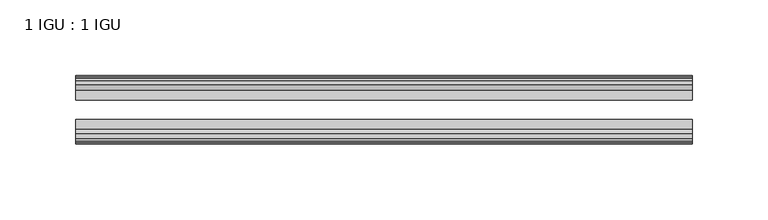
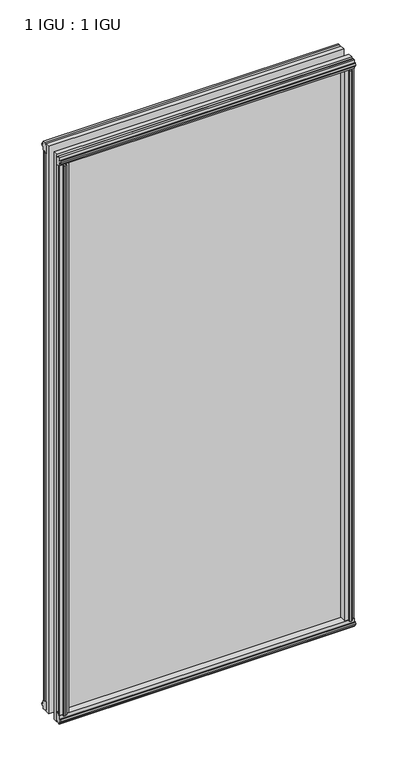
"""IFC4 building model written with IfcOpenShell, lengths in millimetres: plate geometry, 1 IGU : 1 IGU."""

import ifcopenshell
import ifcopenshell.guid

model = None  # the IFC model being written
_history = None  # IfcOwnerHistory: only IFC2X3 demands one
_inside = {}  # id of a spatial element -> (the spatial element, [elements in it])
_under = {}  # id of a project, library or spatial element -> (it, [spatial elements below it])
_declared = {}  # id of a project -> (the project, [libraries it declares])
_typed = {}  # id of a type object -> (the type object, [elements of that type])
_made_of = {}  # id of a material, layer set ... -> (it, [elements and type objects made of it])


def new_model(schema):
    """Start an empty IFC model of exactly this schema.

    Asked for "IFC4X3", IfcOpenShell would pick the latest addendum, in which some entities
    have other attributes; the version numbers below select the first issue.
    IFC2X3 requires an IfcOwnerHistory on every rooted entity: one is made here for all.
    """
    global model, _history
    if schema == "IFC4X3":
        model = ifcopenshell.file(schema_version=(4, 3, 0, 0))
    else:
        model = ifcopenshell.file(schema=schema)
    _inside.clear()
    _under.clear()
    _declared.clear()
    _typed.clear()
    _made_of.clear()
    _history = None
    if model.schema == "IFC2X3":
        org = make("IfcOrganization", Name="unknown")
        user = make(
            "IfcPersonAndOrganization",
            ThePerson=make("IfcPerson", FamilyName="unknown"),
            TheOrganization=org,
        )
        app = make(
            "IfcApplication",
            ApplicationDeveloper=org,
            Version="unknown",
            ApplicationFullName="unknown",
            ApplicationIdentifier="unknown",
        )
        _history = make(
            "IfcOwnerHistory",
            OwningUser=user,
            OwningApplication=app,
            ChangeAction="ADDED",
            CreationDate=0,
        )
    return model


def make(cls, **values):
    """One entity of the class cls with the attributes given. An attribute that is None is left unset."""
    return model.create_entity(
        cls, **{name: value for name, value in values.items() if value is not None}
    )


def rooted(cls, **values):
    """An entity with a GlobalId (a new one), such as an element, a storey or a relation."""
    return make(cls, GlobalId=ifcopenshell.guid.new(), OwnerHistory=_history, **values)


def si_unit(unit_type, name, prefix=None):
    """IfcSIUnit, for example si_unit("LENGTHUNIT", "METRE", prefix="MILLI")."""
    return make("IfcSIUnit", UnitType=unit_type, Prefix=prefix, Name=name)


def assignment(units):
    """IfcUnitAssignment: the units of a project."""
    return None if units is None else make("IfcUnitAssignment", Units=units)


def point(xyz):
    """IfcCartesianPoint."""
    return None if xyz is None else make("IfcCartesianPoint", Coordinates=xyz)


def direction(xyz):
    """IfcDirection."""
    return None if xyz is None else make("IfcDirection", DirectionRatios=xyz)


def frame(location, z_axis=None, x_axis=None):
    """IfcAxis2Placement3D, a coordinate frame: its origin and axes. An axis left out is left unset."""
    return make(
        "IfcAxis2Placement3D",
        Location=point(location),
        Axis=direction(z_axis),
        RefDirection=direction(x_axis),
    )


def origin():
    """The frame at (0, 0, 0) with its axes left unset."""
    return frame((0.0, 0.0, 0.0))


def origin_with_axes():
    """The frame at (0, 0, 0) with the z axis (0, 0, 1) and the x axis (1, 0, 0) written out."""
    return frame((0.0, 0.0, 0.0), z_axis=(0.0, 0.0, 1.0), x_axis=(1.0, 0.0, 0.0))


def place(relative_to, where):
    """IfcLocalPlacement: puts the frame where relative to a parent placement (None: the world)."""
    return make(
        "IfcLocalPlacement", PlacementRelTo=relative_to, RelativePlacement=where
    )


def context(
    kind, dimensions, precision=None, world=None, true_north=None, identifier=None
):
    """IfcGeometricRepresentationContext, for example the 3D "Model" context."""
    return make(
        "IfcGeometricRepresentationContext",
        ContextIdentifier=identifier,
        ContextType=kind,
        CoordinateSpaceDimension=dimensions,
        Precision=precision,
        WorldCoordinateSystem=world,
        TrueNorth=true_north,
    )


def project(units=None, contexts=None):
    """IfcProject with its units and contexts."""
    return rooted(
        "IfcProject",
        Name="project",
        RepresentationContexts=contexts,
        UnitsInContext=assignment(units),
    )


def spatial(cls, under=None, at=None, **own):
    """A site, building, storey or space (cls), placed at a placement, below another one or the project."""
    s = rooted(cls, ObjectPlacement=at, **own)
    if under is not None:
        _under.setdefault(under.id(), (under, []))[1].append(s)
    return s


def polyline(points):
    """IfcPolyline through the points."""
    return make("IfcPolyline", Points=[point(p) for p in points])


def outline(outer, holes=None, kind="AREA"):
    """IfcArbitraryClosedProfileDef: a profile drawn as a closed curve; with holes, ...WithVoids."""
    if holes is None:
        return make("IfcArbitraryClosedProfileDef", ProfileType=kind, OuterCurve=outer)
    return make(
        "IfcArbitraryProfileDefWithVoids",
        ProfileType=kind,
        OuterCurve=outer,
        InnerCurves=holes,
    )


def extrude(swept, where, along, depth):
    """IfcExtrudedAreaSolid: the profile swept, set in the frame where, extruded along a direction by depth."""
    return make(
        "IfcExtrudedAreaSolid",
        SweptArea=swept,
        Position=where,
        ExtrudedDirection=direction(along),
        Depth=depth,
    )


def shape(context_of_items, identifier, shape_type, items):
    """IfcShapeRepresentation: the items that make up one representation, for example the "Body"."""
    return make(
        "IfcShapeRepresentation",
        ContextOfItems=context_of_items,
        RepresentationIdentifier=identifier,
        RepresentationType=shape_type,
        Items=items,
    )


def source(mapping_origin, context_of_items, identifier, shape_type, items):
    """IfcRepresentationMap: a shape defined once, which mapped items show again and again."""
    return make(
        "IfcRepresentationMap",
        MappingOrigin=mapping_origin,
        MappedRepresentation=shape(context_of_items, identifier, shape_type, items),
    )


def transform(
    local_origin,
    x_axis=None,
    y_axis=None,
    z_axis=None,
    scale=None,
    scale2=None,
    scale3=None,
    uniform=True,
):
    """IfcCartesianTransformationOperator3D, or its non-uniform kind. x_axis, y_axis, z_axis: its Axis1, 2, 3."""
    if uniform:
        return make(
            "IfcCartesianTransformationOperator3D",
            Axis1=direction(x_axis),
            Axis2=direction(y_axis),
            LocalOrigin=point(local_origin),
            Scale=scale,
            Axis3=direction(z_axis),
        )
    return make(
        "IfcCartesianTransformationOperator3DnonUniform",
        Axis1=direction(x_axis),
        Axis2=direction(y_axis),
        LocalOrigin=point(local_origin),
        Scale=scale,
        Axis3=direction(z_axis),
        Scale2=scale2,
        Scale3=scale3,
    )


def mapped(mapping_source, mapping_target):
    """IfcMappedItem: shows the shape of a source again, moved by a transform."""
    return make(
        "IfcMappedItem", MappingSource=mapping_source, MappingTarget=mapping_target
    )


def made_of(thing, what):
    """Note that an element or type object is made of a material, layer set ...; save() writes the relation."""
    if what is not None:
        _made_of.setdefault(what.id(), (what, []))[1].append(thing)
    return thing


def element(
    cls,
    number,
    at=None,
    inside=None,
    cuts=None,
    type_object=None,
    material=None,
    context=None,
    identifier="Body",
    shape_type=None,
    held_by="IfcProductDefinitionShape",
    body=None,
    shapes=None,
    **own,
):
    """One element of the class cls, such as IfcWall. Its Tag is "e" and its number.

    at: its placement. inside: the storey or other place that contains it. cuts: it is an
    opening in that element (IfcRelVoidsElement). A single representation is given by context,
    identifier, shape_type and body (its items); several are given by shapes. held_by: the class
    of the entity that holds the representations. save() writes the other relations.
    """
    e = rooted(cls, Tag="e%d" % number, ObjectPlacement=at, **own)
    if body is not None:
        shapes = [shape(context, identifier, shape_type, body)]
    if shapes is not None:
        e.Representation = make(held_by, Representations=shapes)
    if inside is not None:
        _inside.setdefault(inside.id(), (inside, []))[1].append(e)
    if cuts is not None:
        rooted(
            "IfcRelVoidsElement", RelatingBuildingElement=cuts, RelatedOpeningElement=e
        )
    if type_object is not None:
        _typed.setdefault(type_object.id(), (type_object, []))[1].append(e)
    return made_of(e, material)


def aggregate(whole, parts):
    """IfcRelAggregates: a whole, such as a stair, and the parts it consists of."""
    return rooted("IfcRelAggregates", RelatingObject=whole, RelatedObjects=parts)


def save(model, path):
    """Write the relations noted so far, then the file.

    IfcRelAggregates (storeys below a building ...), IfcRelContainedInSpatialStructure (elements
    in a storey), IfcRelDefinesByType, IfcRelAssociatesMaterial and IfcRelDeclares: one each for
    every whole, place, type object, material and project.
    """
    for whole, parts in _under.values():
        aggregate(whole, parts)
    for where, things in _inside.values():
        rooted(
            "IfcRelContainedInSpatialStructure",
            RelatedElements=things,
            RelatingStructure=where,
        )
    for kind, things in _typed.values():
        rooted("IfcRelDefinesByType", RelatedObjects=things, RelatingType=kind)
    for what, things in _made_of.values():
        rooted("IfcRelAssociatesMaterial", RelatedObjects=things, RelatingMaterial=what)
    for by, libraries in _declared.values():
        rooted("IfcRelDeclares", RelatingContext=by, RelatedDefinitions=libraries)
    model.write(path)


def plate_1_igu_1_igu_0dfb2aa5(model_context):
    return source(origin(), model_context, "Body", "SweptSolid", [
        extrude(outline(polyline([(188.8715546, -19.5460937), (190.9768317, -13.1960937), (196.1840261, -13.1960937), (196.5650261, -10.8158968), (195.1494971, -11.27583), (195.1494971, -10.4746158), (197.3270261, -9.7670937), (199.5045552, -10.4746158), (199.5045552, -11.27583), (198.0890261, -10.8158968), (198.4700261, -13.1960937), (202.9150261, -13.1960937), (202.9150261, -16.1419073), (200.7019486, -19.5460937), (188.8715546, -19.5460937)])), origin_with_axes(), (0.0, 0.0, 1.0), 800.1),
        extrude(outline(polyline([(-188.8715546, -19.5460937), (-200.7019486, -19.5460937), (-202.9150261, -16.1419073), (-202.9150261, -13.1960937), (-198.4700261, -13.1960937), (-198.0890261, -10.8158968), (-199.5045552, -11.27583), (-199.5045552, -10.4746158), (-197.3270261, -9.7670937), (-195.1494971, -10.4746158), (-195.1494971, -11.27583), (-196.5650261, -10.8158968), (-196.1840261, -13.1960937), (-190.9768317, -13.1960937), (-188.8715546, -19.5460937)])), origin_with_axes(), (0.0, 0.0, 1.0), 800.1),
        extrude(outline(polyline([(-16.1419073, -12.4576852), (-19.5460937, -10.2446077), (-19.5460937, 1.5857863), (-13.1960937, -0.5194908), (-13.1960937, -5.7266852), (-10.8158968, -6.1076852), (-11.27583, -4.6921562), (-10.4746158, -4.6921562), (-9.7670937, -6.8696852), (-10.4746158, -9.0472143), (-11.27583, -9.0472143), (-10.8158968, -7.6316852), (-13.1960937, -8.0126852), (-13.1960937, -12.4576852), (-16.1419073, -12.4576852)])), frame((-203.1573409, 0.0, 0.0), z_axis=(1.0, 0.0, 0.0), x_axis=(0.0, 1.0, 0.0)), (0.0, 0.0, 1.0), 406.3146818),
        extrude(outline(polyline([(-48.3502802, -11.938), (-51.2960937, -11.938), (-51.2960937, -7.493), (-53.6762907, -7.112), (-53.2163575, -8.5275291), (-54.0175717, -8.5275291), (-54.7250937, -6.35), (-54.0175717, -4.172471), (-53.2163575, -4.172471), (-53.6762907, -5.588), (-51.2960937, -5.207), (-51.2960937, 0.0001944), (-44.9460937, 2.1054715), (-44.9460937, -9.7249225), (-48.3502802, -11.938)])), frame((-203.1573409, 0.0, 0.0), z_axis=(1.0, 0.0, 0.0), x_axis=(0.0, 1.0, 0.0)), (0.0, 0.0, 1.0), 406.3146818),
        extrude(outline(polyline([(-16.1028367, 812.5576852), (-13.1960937, 812.5576852), (-13.1960937, 808.1126852), (-10.8158968, 807.7316852), (-11.27583, 809.1472143), (-10.4746158, 809.1472143), (-9.7670937, 806.9696852), (-10.4746158, 804.7921562), (-11.27583, 804.7921562), (-10.8158968, 806.2076852), (-13.1960937, 805.8266852), (-13.1960937, 800.5940908), (-19.5460937, 798.4888137), (-19.5460937, 810.3192077), (-16.1028367, 812.5576852)])), frame((-203.1573409, 0.0, 0.0), z_axis=(1.0, 0.0, 0.0), x_axis=(0.0, 1.0, 0.0)), (0.0, 0.0, 1.0), 406.3146818),
        extrude(outline(polyline([(-48.3893508, 812.0126), (-44.9460937, 809.7741225), (-44.9460937, 797.9437285), (-51.2960937, 800.0490056), (-51.2960937, 805.2816), (-53.6762907, 805.6626), (-53.2163575, 804.247071), (-54.0175717, 804.247071), (-54.7250938, 806.4246), (-54.0175717, 808.6021291), (-53.2163575, 808.6021291), (-53.6762907, 807.1866), (-51.2960937, 807.5676), (-51.2960937, 812.0126), (-48.3893508, 812.0126)])), frame((-203.1573409, 0.0, 0.0), z_axis=(1.0, 0.0, 0.0), x_axis=(0.0, 1.0, 0.0)), (0.0, 0.0, 1.0), 406.3146818),
        extrude(outline(polyline([(-188.3518694, -44.9460938), (-190.4571465, -51.2960938), (-195.6643409, -51.2960938), (-196.0453409, -53.6762907), (-194.6298119, -53.2163575), (-194.6298119, -54.0175717), (-196.8073409, -54.7250938), (-198.98487, -54.0175717), (-198.98487, -53.2163575), (-197.5693409, -53.6762907), (-197.9503409, -51.2960938), (-202.3953409, -51.2960938), (-202.3953409, -48.3502802), (-200.1822634, -44.9460938), (-188.3518694, -44.9460938)])), origin_with_axes(), (0.0, 0.0, 1.0), 800.1),
        extrude(outline(polyline([(188.3518694, -44.9460938), (200.1822634, -44.9460938), (202.3953409, -48.3502802), (202.3953409, -51.2960938), (197.9503409, -51.2960938), (197.5693409, -53.6762907), (198.98487, -53.2163575), (198.98487, -54.0175717), (196.8073409, -54.7250938), (194.6298119, -54.0175717), (194.6298119, -53.2163575), (196.0453409, -53.6762907), (195.6643409, -51.2960938), (190.4571465, -51.2960938), (188.3518694, -44.9460938)])), origin_with_axes(), (0.0, 0.0, 1.0), 800.1),
        extrude(outline(polyline([(203.1573409, -19.5460937), (203.1573409, -25.8337453), (-203.1573409, -25.8337453), (-203.1573409, -19.5460937), (203.1573409, -19.5460937)])), frame((0.0, 0.0, -12.7), z_axis=(0.0, 0.0, 1.0), x_axis=(1.0, 0.0, 0.0)), (0.0, 0.0, 1.0), 825.4872998),
        extrude(outline(polyline([(-203.1573409, -44.9460937), (-203.1573409, -38.6468938), (203.1573409, -38.6468938), (203.1573409, -44.9460937), (-203.1573409, -44.9460937)])), frame((0.0, 0.0, -12.7), z_axis=(0.0, 0.0, 1.0), x_axis=(1.0, 0.0, 0.0)), (0.0, 0.0, 1.0), 825.4872998),
    ])


if __name__ == "__main__":
    model = new_model("IFC4")
    model_context = context("Model", 3, world=origin())
    ifc_project = project(units=[si_unit("LENGTHUNIT", "METRE", prefix="MILLI")], contexts=[model_context])
    site = spatial("IfcSite", under=ifc_project)
    building = spatial("IfcBuilding", under=site)
    placement = place(None, origin())
    plate_1_igu_1_igu_shape = plate_1_igu_1_igu_0dfb2aa5(model_context)
    element("IfcPlate", 1, ObjectType="1 IGU : 1 IGU", at=placement, inside=building, context=model_context, shape_type="MappedRepresentation", body=[
        mapped(plate_1_igu_1_igu_shape, transform((0.0, 0.0, 0.0), x_axis=(1.0, 0.0, 0.0), y_axis=(0.0, 1.0, 0.0), z_axis=(0.0, 0.0, 1.0))),
    ])
    save(model, "model.ifc")
